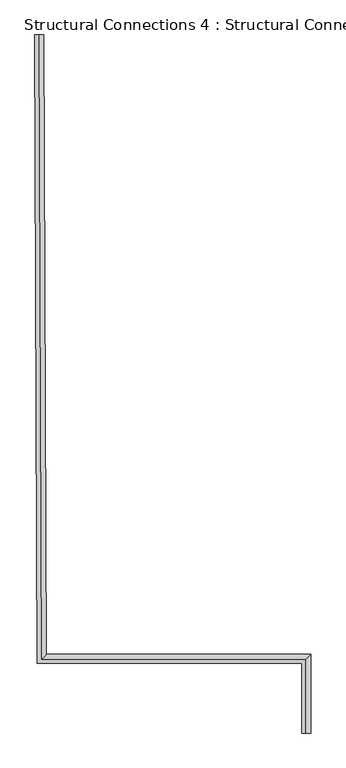
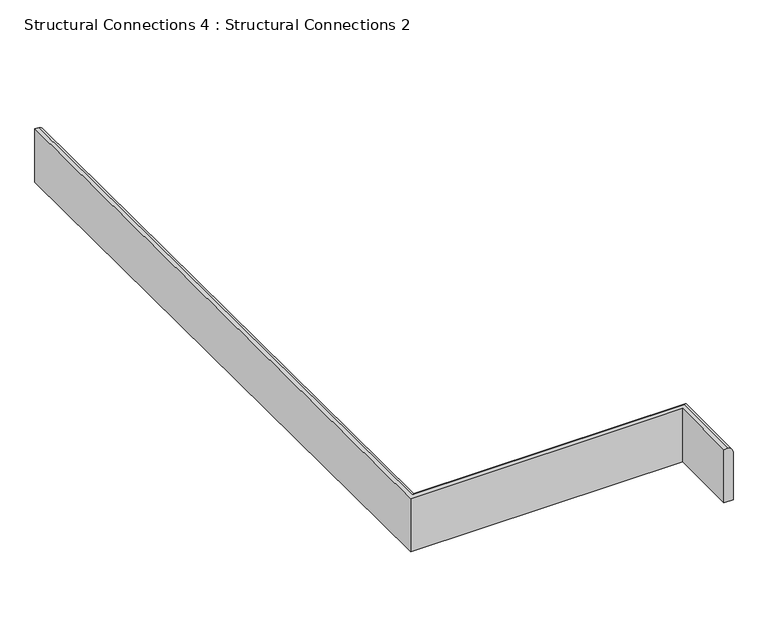
"""IFC4 building model written with IfcOpenShell, lengths in millimetres: fastener geometry, Structural Connections 4 : Structural Connections 2."""

from ifc_helpers import new_model, si_unit, frame, origin, place, context, project, spatial, circle_curve, ellipse_curve, source, transform, mapped, element, save
from ifc_brep_helpers import plane_surface, cylinder_surface, advanced_brep


def structural_connections_4_structural_connections_2_36b953ee(model_context):
    return source(origin(), model_context, "Body", "AdvancedBrep", [
        advanced_brep(
        [(-48809.5747875, 47802.890319, 108433.1908361), (-48801.1239451, 47802.9249282, 108433.1908361), (-48789.7544159, 47802.9714904, 108418.0144843), (-48789.7544159, 47802.9714904, 108312.4278548), (-48809.5747875, 47802.890319, 108312.4278548), (-48221.2838776, 46265.8613976, 108433.1908361), (-48221.2838776, 46265.8613976, 108312.4278548), (-48201.4633399, 46265.8613976, 108312.4278548), (-48201.4633399, 46265.8613976, 108418.0144843), (-48212.8329644, 46265.8613976, 108433.1908361), (-48803.9081943, 46419.2261737, 108433.1908361), (-48221.2838776, 46419.2261737, 108433.1908361), (-48212.8329644, 46427.6770869, 108433.1908361), (-48795.4918197, 46427.6770869, 108433.1908361), (-48784.1686624, 46439.0467115, 108418.0144843), (-48784.1686624, 46439.0467115, 108312.4278548), (-48201.4633399, 46439.0467115, 108312.4278548), (-48221.2838776, 46419.2261737, 108312.4278548), (-48803.9081943, 46419.2261737, 108312.4278548), (-48201.4633399, 46439.0467115, 108418.0144843)],
        [
            (0, 1),
            (1, 2, circle_curve(frame((-48804.1831584, 47802.9123996, 108419.0519041), z_axis=(-0.004095318703891056, 0.9999916141471955, 0.0), x_axis=(0.9999916141471955, 0.004095318703891056, 0.0)), 14.4661101)),
            (2, 3),
            (3, 4),
            (4, 0),
            (5, 6),
            (6, 7),
            (7, 8),
            (8, 9, circle_curve(frame((-48215.8922034, 46265.8613976, 108419.0519041), z_axis=(0.0, -1.0, 0.0), x_axis=(1.0, 0.0, 0.0)), 14.4661101)),
            (9, 5),
            (0, 10),
            (10, 11),
            (11, 5),
            (9, 12),
            (12, 13),
            (13, 1),
            (13, 14, ellipse_curve(frame((-48798.5385556, 46424.617848, 108419.0519041), z_axis=(-0.7085532156104758, 0.7056573819128192, 0.0), x_axis=(0.7056573819128192, 0.7085532156104759, 0.0)), 20.416406, 14.4661101)),
            (14, 2),
            (14, 15),
            (15, 3),
            (15, 16),
            (16, 7),
            (6, 17),
            (17, 18),
            (18, 4),
            (18, 10),
            (12, 19, ellipse_curve(frame((-48215.8922034, 46424.617848, 108419.0519041), z_axis=(-0.7071067811865475, 0.7071067811865475, 0.0), x_axis=(-0.7071067811865477, -0.7071067811865474, 0.0)), 20.4581691, 14.4661101)),
            (19, 14),
            (19, 16),
            (17, 11),
            (8, 19),
        ],
        [
            plane_surface(frame((-48805.7698328, 47802.9059016, 108155.0), z_axis=(-0.004095318703891052, 0.9999916141471955, 0.0), x_axis=(0.0, 0.0, 1.0))),
            plane_surface(frame((-48217.4788911, 46265.8613976, 108155.0), z_axis=(0.0, -1.0, 0.0), x_axis=(0.0, 0.0, 1.0))),
            plane_surface(frame((-48809.5747875, 47802.890319, 108433.1908361), z_axis=(0.0, 0.0, 1.0), x_axis=(0.004095318703889596, -0.9999916141471955, 0.0))),
            cylinder_surface(frame((-48804.1831584, 47802.9123996, 108419.0519041), z_axis=(-0.004095318703891056, 0.9999916141471955, 0.0), x_axis=(0.9999916141471955, 0.004095318703891056, 0.0)), 14.4661101),
            plane_surface(frame((-48789.7544159, 47802.9714904, 108418.0144843), z_axis=(0.9999916141471955, 0.004095318703891098, 0.0), x_axis=(0.004095318703891098, -0.9999916141471955, 0.0))),
            plane_surface(frame((-48789.7544159, 47802.9714904, 108312.4278548), z_axis=(0.0, 0.0, -1.0), x_axis=(0.004095318703891098, -0.9999916141471955, 0.0))),
            plane_surface(frame((-48809.5747875, 47802.890319, 108312.4278548), z_axis=(-0.9999916141471955, -0.004095318703889596, 0.0), x_axis=(0.004095318703889596, -0.9999916141471955, 0.0))),
            cylinder_surface(frame((-48800.1187585, 46424.617848, 108419.0519041), z_axis=(-1.0, 0.0, 0.0), x_axis=(0.0, 1.0, 0.0)), 14.4661101),
            plane_surface(frame((-48784.1686624, 46439.0467115, 108418.0144843), z_axis=(0.0, 1.0, 0.0), x_axis=(1.0, 0.0, 0.0))),
            plane_surface(frame((-48803.9081943, 46419.2261737, 108312.4278548), z_axis=(0.0, -1.0, 0.0), x_axis=(1.0, 0.0, 0.0))),
            cylinder_surface(frame((-48215.8922034, 46423.0311603, 108419.0519041), z_axis=(0.0, 1.0, 0.0), x_axis=(1.0, 0.0, 0.0)), 14.4661101),
            plane_surface(frame((-48201.4633399, 46439.0467115, 108418.0144843), z_axis=(1.0, 0.0, 0.0), x_axis=(0.0, -1.0, 0.0))),
            plane_surface(frame((-48221.2838776, 46419.2261737, 108312.4278548), z_axis=(-1.0, 0.0, 0.0), x_axis=(0.0, -1.0, 0.0))),
        ],
        [
            (0, [[1, 2, 3, 4, 5]]),
            (1, [[6, 7, 8, 9, 10]]),
            (2, [[-1, 11, 12, 13, -10, 14, 15, 16]]),
            (3, [[-2, -16, 17, 18]]),
            (4, [[-3, -18, 19, 20]]),
            (5, [[-4, -20, 21, 22, -7, 23, 24, 25]]),
            (6, [[-5, -25, 26, -11]]),
            (7, [[-17, -15, 27, 28]]),
            (8, [[-19, -28, 29, -21]]),
            (9, [[-26, -24, 30, -12]]),
            (10, [[-27, -14, -9, 31]]),
            (11, [[-29, -31, -8, -22]]),
            (12, [[-30, -23, -6, -13]]),
        ],
    ),
    ])


if __name__ == "__main__":
    model = new_model("IFC4")
    model_context = context("Model", 3, world=origin())
    ifc_project = project(units=[si_unit("LENGTHUNIT", "METRE", prefix="MILLI")], contexts=[model_context])
    site = spatial("IfcSite", under=ifc_project)
    building = spatial("IfcBuilding", under=site)
    placement = place(None, origin())
    structural_connections_4_structural_connections_2_shape = structural_connections_4_structural_connections_2_36b953ee(model_context)
    element("IfcFastener", 1, ObjectType="Structural Connections 4 : Structural Connections 2", at=placement, inside=building, context=model_context, shape_type="MappedRepresentation", body=[
        mapped(structural_connections_4_structural_connections_2_shape, transform((0.0, 0.0, 0.0), x_axis=(1.0, 0.0, 0.0), y_axis=(0.0, 1.0, 0.0), z_axis=(0.0, 0.0, 1.0))),
    ])
    save(model, "model.ifc")
